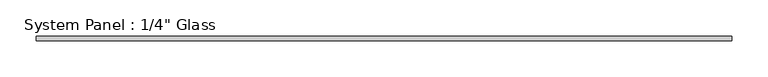
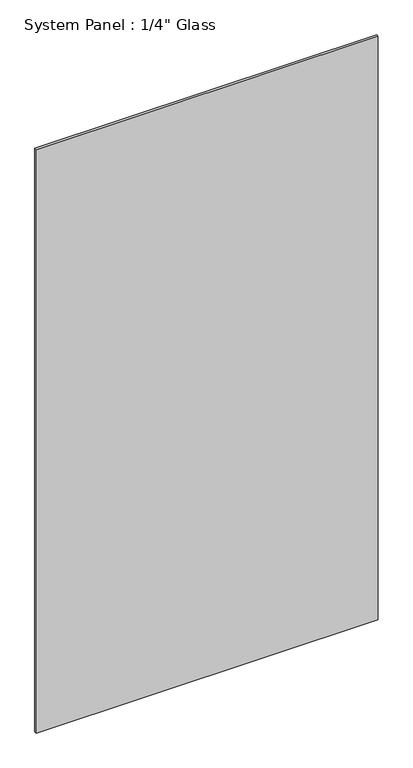
"""IFC4 building model written with IfcOpenShell, lengths in millimetres: plate geometry."""

from ifc_helpers import new_model, si_unit, origin, origin_with_axes, place, context, project, spatial, polyline, outline, extrude, source, transform, mapped, element, save


def plate_7028f47b(model_context):
    return source(origin(), model_context, "Body", "SweptSolid", [
        extrude(outline(polyline([(482.4848712, -3.175), (-482.4848712, -3.175), (-482.4848712, 3.175), (482.4848712, 3.175), (482.4848712, -3.175)])), origin_with_axes(), (0.0, 0.0, 1.0), 1739.9),
    ])


if __name__ == "__main__":
    model = new_model("IFC4")
    model_context = context("Model", 3, world=origin())
    ifc_project = project(units=[si_unit("LENGTHUNIT", "METRE", prefix="MILLI")], contexts=[model_context])
    site = spatial("IfcSite", under=ifc_project)
    building = spatial("IfcBuilding", under=site)
    placement = place(None, origin())
    plate_shape = plate_7028f47b(model_context)
    element("IfcPlate", 1, ObjectType="System Panel : 1/4\" Glass", at=placement, inside=building, context=model_context, shape_type="MappedRepresentation", body=[
        mapped(plate_shape, transform((0.0, 0.0, 0.0), x_axis=(1.0, 0.0, 0.0), y_axis=(0.0, 1.0, 0.0), z_axis=(0.0, 0.0, 1.0))),
    ])
    save(model, "model.ifc")
